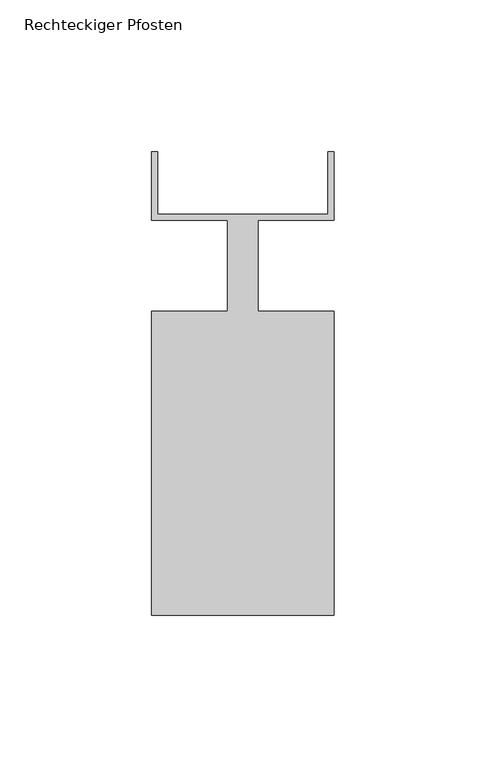
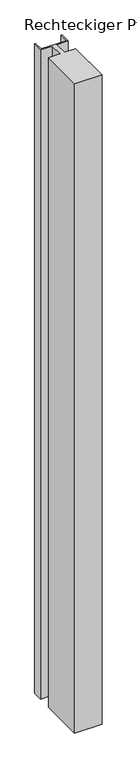
"""IFC4 building model written with IfcOpenShell, lengths in millimetres: member geometry, Rechteckiger Pfosten."""

from ifc_helpers import new_model, si_unit, frame, origin, place, context, project, spatial, polyline, outline, extrude, source, transform, mapped, element, save


def rechteckiger_pfosten_249350b6(model_context):
    return source(origin(), model_context, "Body", "SweptSolid", [
        extrude(outline(polyline([(28.0, 37.5), (30.0, 37.5), (30.0, 15.0), (5.0, 15.0), (5.0, -15.0), (30.0, -15.0), (30.0, -115.0), (-30.0, -115.0), (-30.0, -15.0), (-5.0, -15.0), (-5.0, 15.0), (-30.0, 15.0), (-30.0, 37.5), (-28.0, 37.5), (-28.0, 17.0), (28.0, 17.0), (28.0, 37.5)])), frame((0.0, 0.0, -1510.0), z_axis=(0.0, 0.0, 1.0), x_axis=(1.0, 0.0, 0.0)), (0.0, 0.0, 1.0), 1510.0),
    ])


if __name__ == "__main__":
    model = new_model("IFC4")
    model_context = context("Model", 3, world=origin())
    ifc_project = project(units=[si_unit("LENGTHUNIT", "METRE", prefix="MILLI")], contexts=[model_context])
    site = spatial("IfcSite", under=ifc_project)
    building = spatial("IfcBuilding", under=site)
    placement = place(None, origin())
    rechteckiger_pfosten_shape = rechteckiger_pfosten_249350b6(model_context)
    element("IfcMember", 1, ObjectType="Rechteckiger Pfosten", at=placement, inside=building, context=model_context, shape_type="MappedRepresentation", body=[
        mapped(rechteckiger_pfosten_shape, transform((0.0, 0.0, 0.0), x_axis=(1.0, 0.0, 0.0), y_axis=(0.0, 1.0, 0.0), z_axis=(0.0, 0.0, 1.0))),
    ])
    save(model, "model.ifc")
